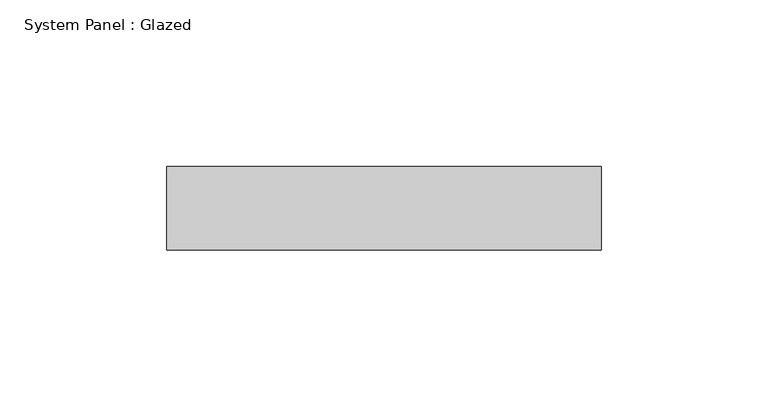
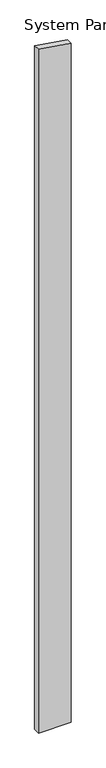
"""IFC4 building model written with IfcOpenShell, lengths in millimetres: plate geometry, System Panel : Glazed."""

from ifc_helpers import new_model, si_unit, frame, origin, place, context, project, spatial, polyline, outline, extrude, source, transform, mapped, element, save


def system_panel_glazed_0eafe704(model_context):
    return source(origin(), model_context, "Body", "SweptSolid", [
        extrude(outline(polyline([(0.0, -65.0), (0.0, 65.0), (2845.5959567, 65.0), (2864.8351843, -65.0), (0.0, -65.0)])), frame((0.0, 24.5, 0.0), z_axis=(0.0, 1.0, 0.0), x_axis=(0.0, 0.0, 1.0)), (0.0, 0.0, 1.0), 25.0),
    ])


if __name__ == "__main__":
    model = new_model("IFC4")
    model_context = context("Model", 3, world=origin())
    ifc_project = project(units=[si_unit("LENGTHUNIT", "METRE", prefix="MILLI")], contexts=[model_context])
    site = spatial("IfcSite", under=ifc_project)
    building = spatial("IfcBuilding", under=site)
    placement = place(None, origin())
    system_panel_glazed_shape = system_panel_glazed_0eafe704(model_context)
    element("IfcPlate", 1, ObjectType="System Panel : Glazed", at=placement, inside=building, context=model_context, shape_type="MappedRepresentation", body=[
        mapped(system_panel_glazed_shape, transform((0.0, 0.0, 0.0), x_axis=(1.0, 0.0, 0.0), y_axis=(0.0, 1.0, 0.0), z_axis=(0.0, 0.0, 1.0))),
    ])
    save(model, "model.ifc")
